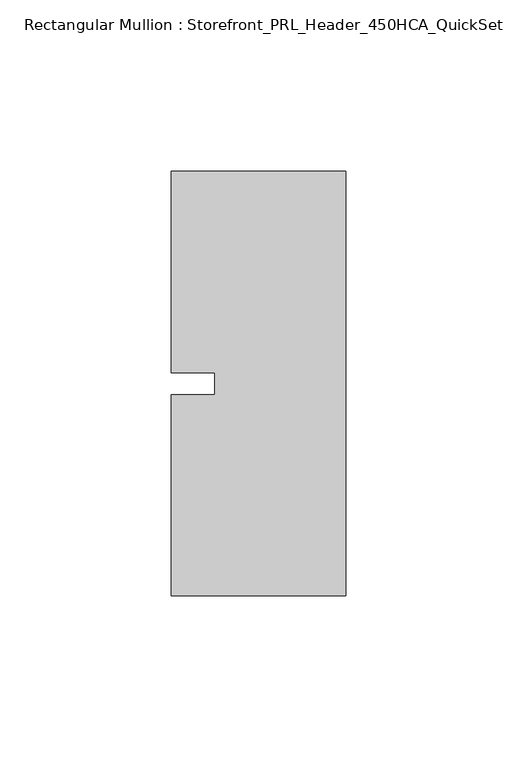
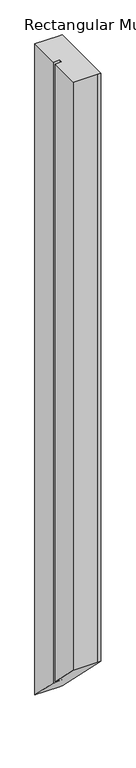
"""IFC4 building model written with IfcOpenShell, lengths in millimetres: member geometry, Rectangular Mullion : Storefront_PRL_Header_450HCA_QuickSet."""

from ifc_helpers import new_model, si_unit, origin, place, context, project, spatial, faceted_brep, source, transform, mapped, element, save


def rectangular_mullion_storefront_prl_header_450hca_quickset_ef7f7a63(model_context):
    return source(origin(), model_context, "Body", "Brep", [
        faceted_brep([(-38.1, -3.175, 0.0), (-50.8, -3.175, 0.0), (-50.8, -61.9125, 0.0), (-6.35, -61.9125, 0.0), (0.0, -61.9125, 0.0), (0.0, 61.9125, 0.0), (-7.7254924, 61.9125, 0.0), (-50.8, 61.9125, 0.0), (-50.8, 3.175, 0.0), (-38.1, 3.175, 0.0), (-38.1, -3.175, -1216.025), (-50.8, -3.175, -1216.025), (-50.8, -61.9125, -1157.2875), (-6.35, -61.9125, -1157.2875), (0.0, -61.9125, -1157.2875), (0.0, 61.9125, -1281.1125), (-7.7254924, 61.9125, -1281.1125), (-50.8, 61.9125, -1281.1125), (-50.8, 3.175, -1222.375), (-38.1, 3.175, -1222.375)], [[[0, 1, 2, 3, 4, 5, 6, 7, 8, 9]], [[1, 0, 10, 11]], [[2, 1, 11, 12]], [[3, 2, 12, 13]], [[4, 3, 13, 14]], [[5, 4, 14, 15]], [[6, 5, 15, 16]], [[7, 6, 16, 17]], [[8, 7, 17, 18]], [[9, 8, 18, 19]], [[0, 9, 19, 10]], [[10, 19, 18, 17, 16, 15, 14, 13, 12, 11]]]),
    ])


if __name__ == "__main__":
    model = new_model("IFC4")
    model_context = context("Model", 3, world=origin())
    ifc_project = project(units=[si_unit("LENGTHUNIT", "METRE", prefix="MILLI")], contexts=[model_context])
    site = spatial("IfcSite", under=ifc_project)
    building = spatial("IfcBuilding", under=site)
    placement = place(None, origin())
    rectangular_mullion_storefront_prl_header_450hca_quickset_shape = rectangular_mullion_storefront_prl_header_450hca_quickset_ef7f7a63(model_context)
    element("IfcMember", 1, ObjectType="Rectangular Mullion : Storefront_PRL_Header_450HCA_QuickSet", at=placement, inside=building, context=model_context, shape_type="MappedRepresentation", body=[
        mapped(rectangular_mullion_storefront_prl_header_450hca_quickset_shape, transform((0.0, 0.0, 0.0), x_axis=(1.0, 0.0, 0.0), y_axis=(0.0, 1.0, 0.0), z_axis=(0.0, 0.0, 1.0))),
    ])
    save(model, "model.ifc")
